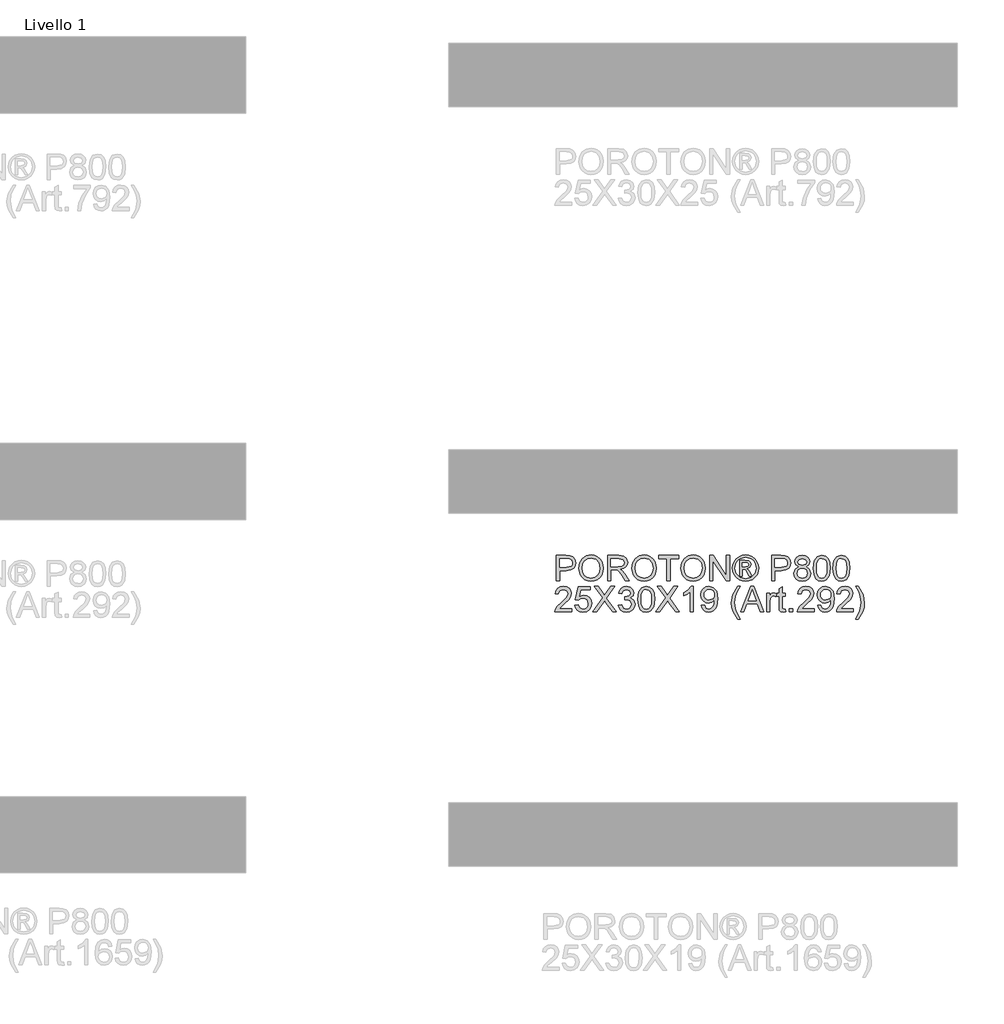
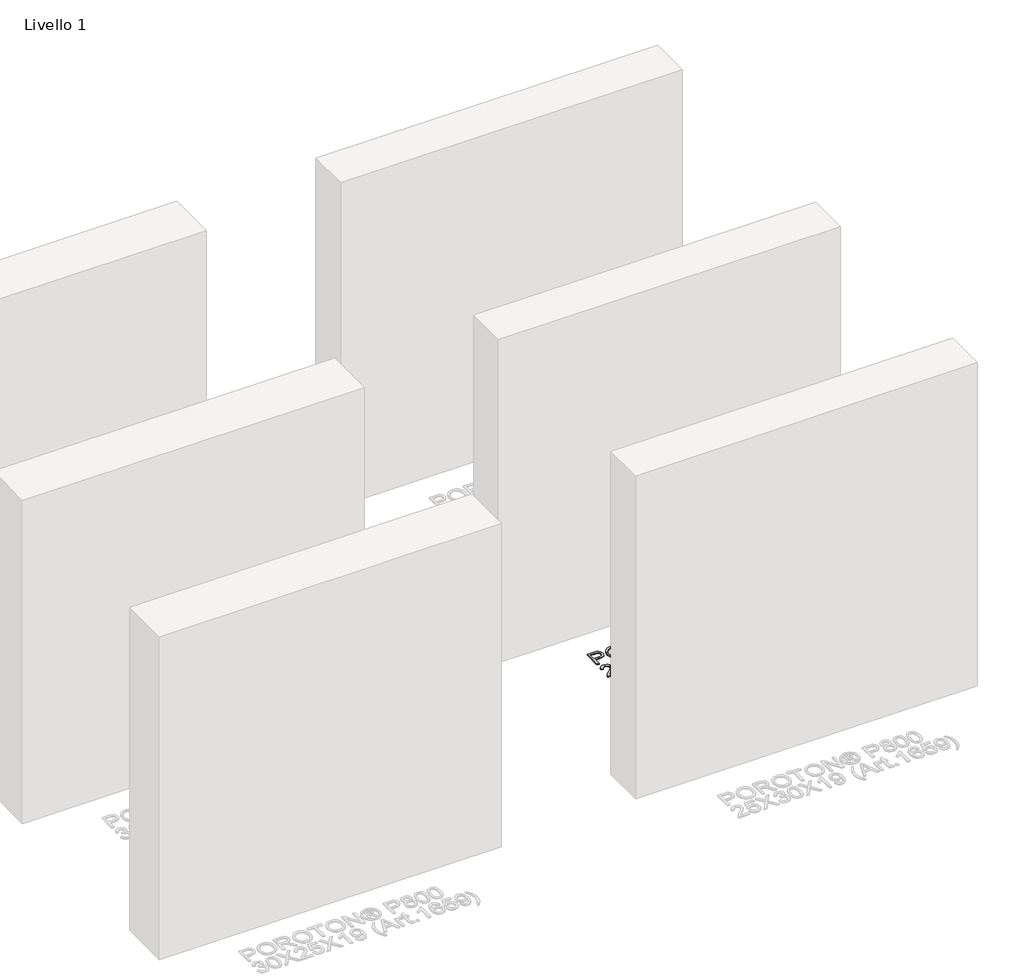
# One storey, part 7 of 8: 1 proxy.
"""IFC4 building model written with IfcOpenShell, lengths in millimetres."""

from ifc_helpers import new_model, si_unit, origin, origin_with_axes, place, context, project, spatial, polyline, outline, extrude, element, save

model = new_model("IFC4")

# Units and contexts
model_context = context("Model", 3, world=origin())
ifc_project = project(units=[si_unit("LENGTHUNIT", "METRE", prefix="MILLI")], contexts=[model_context])

# Site, building, storey
site = spatial("IfcSite", under=ifc_project)
building = spatial("IfcBuilding", under=site)
storey = spatial("IfcBuildingStorey", under=building, Name="Livello 1", Elevation=0.0)

# Proxy
placement = place(None, origin())
element("IfcBuildingElementProxy", 1, Name="100", ObjectType="100", at=placement, inside=storey, context=model_context, shape_type="SweptSolid", body=[
    extrude(outline(polyline([(1080.1467848, 2286.8671601), (1080.1467848, 2387.3234702), (1117.3764427, 2387.3234702), (1132.3860281, 2386.3669771), (1144.5874477, 2381.6703502), (1152.4969105, 2371.9582656), (1155.4890174, 2358.2607926), (1153.4687322, 2346.4211237), (1147.4078763, 2336.5557549), (1136.0740451, 2329.8970908), (1118.2348341, 2327.6775361), (1092.7038236, 2327.6775361), (1092.7038236, 2286.8671601), (1080.1467848, 2286.8671601)]), holes=[polyline([(1092.7038236, 2340.2345749), (1118.9705981, 2340.2345749), (1137.4627997, 2344.8453625), (1141.5646839, 2350.3942493), (1142.9319787, 2357.8193342), (1139.7068798, 2368.218132), (1131.2333312, 2373.9080401), (1118.6762925, 2374.7664315), (1092.7038236, 2374.7664315), (1092.7038236, 2340.2345749)])]), origin_with_axes(), (0.0, 0.0, 1.0), 5.0),
    extrude(outline(polyline([(1168.0460562, 2335.77094), (1171.3937824, 2357.9848811), (1181.4369608, 2374.7909569), (1196.7715087, 2385.3675643), (1215.9933429, 2388.8931001), (1229.1696497, 2387.2376311), (1240.9847931, 2382.2712242), (1250.7949797, 2374.3433672), (1257.9564158, 2363.803548), (1262.3342116, 2351.1606701), (1263.7934768, 2336.9236369), (1262.2575695, 2322.4965313), (1257.6498475, 2309.6758438), (1250.2247626, 2299.1176305), (1240.2367664, 2291.4779478), (1228.5227905, 2286.8426346), (1215.9197665, 2285.2975302), (1202.5411246, 2287.0051158), (1190.6585362, 2292.1278726), (1180.8728751, 2300.2028824), (1173.7850153, 2310.767227), (1168.0460562, 2335.77094)]), holes=[polyline([(1180.603095, 2335.6483127), (1183.1138896, 2319.9336201), (1190.6462734, 2307.9590611), (1201.9678418, 2300.380692), (1215.8461901, 2297.854569), (1229.9268735, 2300.4052175), (1241.266836, 2308.057163), (1248.7440375, 2320.399604), (1251.2364381, 2337.0217388), (1246.9690069, 2357.7457578), (1234.4978073, 2371.4677562), (1216.0669193, 2376.3360613), (1202.5595187, 2373.9908136), (1191.0754691, 2366.9550704), (1183.2211885, 2354.4378856), (1180.603095, 2335.6483127)])]), origin_with_axes(), (0.0, 0.0, 1.0), 5.0),
    extrude(outline(polyline([(1281.0594051, 2286.8671601), (1281.0594051, 2387.3234702), (1324.3468532, 2387.3234702), (1344.4454729, 2384.6134062), (1355.4328818, 2375.0239489), (1359.5408974, 2359.8304225), (1357.8394432, 2349.9343968), (1352.7350805, 2341.7306283), (1344.0745252, 2335.7157577), (1331.7044931, 2332.3864256), (1338.8414038, 2327.0153485), (1349.0194724, 2314.0904277), (1365.7703659, 2286.8671601), (1351.1777134, 2286.8671601), (1338.1056398, 2307.689281), (1328.6633353, 2321.4725931), (1322.0291967, 2327.9841044), (1316.0572456, 2330.3753374), (1308.7731821, 2330.8167958), (1293.6164439, 2330.8167958), (1293.6164439, 2286.8671601), (1281.0594051, 2286.8671601)]), holes=[polyline([(1293.6164439, 2343.3738345), (1321.7226283, 2343.3738345), (1336.0577634, 2345.1519309), (1344.2002182, 2350.8418391), (1346.9838587, 2359.3644386), (1341.6740952, 2370.4254239), (1324.8864135, 2374.7664315), (1293.6164439, 2374.7664315), (1293.6164439, 2343.3738345)])]), origin_with_axes(), (0.0, 0.0, 1.0), 5.0),
    extrude(outline(polyline([(1376.8068257, 2335.77094), (1380.1545519, 2357.9848811), (1390.1977304, 2374.7909569), (1405.5322782, 2385.3675643), (1424.7541124, 2388.8931001), (1437.9304192, 2387.2376311), (1449.7455627, 2382.2712242), (1459.5557492, 2374.3433672), (1466.7171854, 2363.803548), (1471.0949811, 2351.1606701), (1472.5542464, 2336.9236369), (1471.018339, 2322.4965313), (1466.410617, 2309.6758438), (1458.9855321, 2299.1176305), (1448.9975359, 2291.4779478), (1437.2835601, 2286.8426346), (1424.680536, 2285.2975302), (1411.3018942, 2287.0051158), (1399.4193057, 2292.1278726), (1389.6336446, 2300.2028824), (1382.5457849, 2310.767227), (1376.8068257, 2335.77094)]), holes=[polyline([(1389.3638645, 2335.6483127), (1391.8746591, 2319.9336201), (1399.407043, 2307.9590611), (1410.7286114, 2300.380692), (1424.6069596, 2297.854569), (1438.687643, 2300.4052175), (1450.0276055, 2308.057163), (1457.5048071, 2320.399604), (1459.9972076, 2337.0217388), (1455.7297764, 2357.7457578), (1443.2585768, 2371.4677562), (1424.8276888, 2376.3360613), (1411.3202883, 2373.9908136), (1399.8362386, 2366.9550704), (1391.981958, 2354.4378856), (1389.3638645, 2335.6483127)])]), origin_with_axes(), (0.0, 0.0, 1.0), 5.0),
    extrude(outline(polyline([(1514.9342522, 2286.8671601), (1514.9342522, 2374.7664315), (1481.9720254, 2374.7664315), (1481.9720254, 2387.3234702), (1560.4535177, 2387.3234702), (1560.4535177, 2374.7664315), (1527.491291, 2374.7664315), (1527.491291, 2286.8671601), (1514.9342522, 2286.8671601)])), origin_with_axes(), (0.0, 0.0, 1.0), 5.0),
    extrude(outline(polyline([(1569.8712968, 2335.77094), (1573.219023, 2357.9848811), (1583.2622014, 2374.7909569), (1598.5967493, 2385.3675643), (1617.8185835, 2388.8931001), (1630.9948903, 2387.2376311), (1642.8100337, 2382.2712242), (1652.6202203, 2374.3433672), (1659.7816564, 2363.803548), (1664.1594522, 2351.1606701), (1665.6187174, 2336.9236369), (1664.0828101, 2322.4965313), (1659.4750881, 2309.6758438), (1652.0500032, 2299.1176305), (1642.062007, 2291.4779478), (1630.3480311, 2286.8426346), (1617.7450071, 2285.2975302), (1604.3663652, 2287.0051158), (1592.4837768, 2292.1278726), (1582.6981157, 2300.2028824), (1575.6102559, 2310.767227), (1569.8712968, 2335.77094)]), holes=[polyline([(1582.4283356, 2335.6483127), (1584.9391302, 2319.9336201), (1592.471514, 2307.9590611), (1603.7930824, 2300.380692), (1617.6714307, 2297.854569), (1631.7521141, 2300.4052175), (1643.0920766, 2308.057163), (1650.5692781, 2320.399604), (1653.0616787, 2337.0217388), (1648.7942475, 2357.7457578), (1636.3230479, 2371.4677562), (1617.8921599, 2376.3360613), (1604.3847593, 2373.9908136), (1592.9007097, 2366.9550704), (1585.0464291, 2354.4378856), (1582.4283356, 2335.6483127)])]), origin_with_axes(), (0.0, 0.0, 1.0), 5.0),
    extrude(outline(polyline([(1682.8846457, 2286.8671601), (1682.8846457, 2387.3234702), (1696.3246013, 2387.3234702), (1748.8090993, 2307.7383319), (1748.8090993, 2387.3234702), (1761.366138, 2387.3234702), (1761.366138, 2286.8671601), (1747.9261825, 2286.8671601), (1695.4416845, 2366.4768238), (1695.4416845, 2286.8671601), (1682.8846457, 2286.8671601)])), origin_with_axes(), (0.0, 0.0, 1.0), 5.0),
    extrude(outline(polyline([(1824.1758573, 2388.8931001), (1837.0701213, 2387.219237), (1849.6578169, 2382.1976478), (1860.7157365, 2374.0613243), (1869.0206726, 2363.0432586), (1874.2170057, 2350.3206729), (1875.9491168, 2337.0707897), (1874.2415312, 2323.9374025), (1869.1187744, 2311.31905), (1860.9150059, 2300.3408382), (1849.9643852, 2292.1278726), (1837.3552298, 2287.0051158), (1824.1758573, 2285.2975302), (1811.014879, 2287.0051158), (1798.4118549, 2292.1278726), (1787.4520372, 2300.3408382), (1779.2206775, 2311.31905), (1774.0703296, 2323.9374025), (1772.353547, 2337.0707897), (1774.0948551, 2350.3206729), (1779.3187794, 2363.0432586), (1787.6513066, 2374.0613243), (1798.7184233, 2382.1976478), (1811.2999875, 2387.219237), (1824.1758573, 2388.8931001)]), holes=[polyline([(1824.1758573, 2379.475321), (1803.3537364, 2373.9938793), (1794.3252991, 2367.3321495), (1787.4980224, 2358.3098436), (1781.771326, 2337.0707897), (1787.3876578, 2316.0156768), (1803.1084818, 2300.3316411), (1824.1758573, 2294.7153093), (1845.2554957, 2300.3316411), (1860.9395314, 2316.0156768), (1866.5313377, 2337.0707897), (1860.8414295, 2358.3098436), (1854.0325469, 2367.3321495), (1844.9857155, 2373.9938793), (1824.1758573, 2379.475321)])]), origin_with_axes(), (0.0, 0.0, 1.0), 5.0),
    extrude(outline(polyline([(1800.6068842, 2305.7027182), (1800.6068842, 2368.4879121), (1820.8894449, 2368.4879121), (1835.9480812, 2366.7588667), (1843.3670348, 2360.725602), (1846.1261497, 2351.5653403), (1841.3682092, 2339.6459637), (1828.7621195, 2333.9560555), (1833.6672128, 2330.620592), (1842.2266006, 2318.0880787), (1849.2654094, 2305.7027182), (1838.670408, 2305.7027182), (1833.152178, 2315.6600576), (1823.9060772, 2330.0810318), (1815.8862497, 2332.3864256), (1810.0246633, 2332.3864256), (1810.0246633, 2305.7027182), (1800.6068842, 2305.7027182)]), holes=[polyline([(1810.0246633, 2341.8042047), (1821.9440399, 2341.8042047), (1833.5936364, 2344.1954377), (1836.7083706, 2350.5352707), (1835.2123172, 2355.0970075), (1831.0552507, 2358.0891144), (1821.1837504, 2359.070133), (1810.0246633, 2359.070133), (1810.0246633, 2341.8042047)])]), origin_with_axes(), (0.0, 0.0, 1.0), 5.0),
    extrude(outline(polyline([(1926.1772719, 2286.8671601), (1926.1772719, 2387.3234702), (1963.4069298, 2387.3234702), (1978.4165152, 2386.3669771), (1990.6179347, 2381.6703502), (1998.5273976, 2371.9582656), (2001.5195045, 2358.2607926), (1999.4992192, 2346.4211237), (1993.4383633, 2336.5557549), (1982.1045322, 2329.8970908), (1964.2653211, 2327.6775361), (1938.7343106, 2327.6775361), (1938.7343106, 2286.8671601), (1926.1772719, 2286.8671601)]), holes=[polyline([(1938.7343106, 2340.2345749), (1965.0010851, 2340.2345749), (1983.4932867, 2344.8453625), (1987.595171, 2350.3942493), (1988.9624657, 2357.8193342), (1985.7373669, 2368.218132), (1977.2638183, 2373.9080401), (1964.7067795, 2374.7664315), (1938.7343106, 2374.7664315), (1938.7343106, 2340.2345749)])]), origin_with_axes(), (0.0, 0.0, 1.0), 5.0),
    extrude(outline(polyline([(2032.3725411, 2342.1966122), (2020.9314111, 2349.9957105), (2017.2158029, 2362.1358163), (2019.2391539, 2371.9521342), (2025.3092068, 2380.0639322), (2034.74538, 2385.5085857), (2046.8670918, 2387.3234702), (2059.0623799, 2385.4656662), (2068.6211804, 2379.8922539), (2074.8015979, 2371.6516972), (2076.8617371, 2361.7924598), (2073.1951799, 2349.9589223), (2062.0728809, 2342.1966122), (2075.4269973, 2332.3496374), (2080.0009968, 2316.101516), (2077.7323912, 2304.0963002), (2070.9265742, 2294.1757491), (2060.4174119, 2287.5170849), (2047.03877, 2285.2975302), (2033.6601281, 2287.526282), (2023.1509658, 2294.2125373), (2016.3451489, 2304.2281246), (2014.0765433, 2316.4448725), (2018.8344837, 2333.0731387), (2032.3725411, 2342.1966122)]), holes=[polyline([(2029.7728417, 2361.7679343), (2034.2242139, 2351.9086968), (2047.1859228, 2348.0827241), (2059.8901144, 2351.8841714), (2064.3046983, 2361.2038486), (2059.7429616, 2370.8546196), (2047.03877, 2374.7664315), (2034.2977903, 2370.9404587), (2029.7728417, 2361.7679343)]), polyline([(2026.633582, 2316.8863309), (2028.7305094, 2307.4317636), (2036.149463, 2300.3561666), (2047.1368719, 2297.854569), (2055.6839969, 2299.1697471), (2062.0974064, 2303.1152815), (2067.443958, 2316.4939234), (2061.9257281, 2330.1300827), (2055.3651658, 2334.1767847), (2046.719939, 2335.5256853), (2038.2923756, 2334.1951788), (2031.9433455, 2330.2036591), (2026.633582, 2316.8863309)])]), origin_with_axes(), (0.0, 0.0, 1.0), 5.0),
    extrude(outline(polyline([(2090.9884057, 2336.2859748), (2094.6794884, 2365.1892369), (2105.6423719, 2381.8542912), (2123.9506325, 2387.3234702), (2138.6168614, 2384.0861087), (2148.745879, 2374.7541687), (2154.6319909, 2359.8917361), (2156.9128592, 2336.2859748), (2153.2585648, 2307.50534), (2142.3324695, 2290.8034974), (2134.1011099, 2286.674022), (2123.9506325, 2285.2975302), (2110.9030844, 2287.6887632), (2100.994796, 2294.8624621), (2093.4900033, 2311.8524789), (2090.9884057, 2336.2859748)]), holes=[polyline([(2103.5454445, 2336.3105002), (2105.0169725, 2316.5583028), (2109.4315564, 2305.1263698), (2116.0043814, 2299.6725192), (2123.9506325, 2297.854569), (2131.8968836, 2299.6786506), (2138.4697086, 2305.1508953), (2142.8842925, 2316.5889596), (2144.3558205, 2336.3105002), (2142.9333434, 2355.6181736), (2138.6659123, 2367.1390114), (2132.10535, 2372.8595765), (2123.8034797, 2374.7664315), (2115.9430677, 2373.086437), (2109.6277601, 2368.0464537), (2105.0660234, 2355.808246), (2103.5454445, 2336.3105002)])]), origin_with_axes(), (0.0, 0.0, 1.0), 5.0),
    extrude(outline(polyline([(2167.9002682, 2336.2859748), (2171.5913509, 2365.1892369), (2182.5542343, 2381.8542912), (2200.8624949, 2387.3234702), (2215.5287238, 2384.0861087), (2225.6577414, 2374.7541687), (2231.5438533, 2359.8917361), (2233.8247217, 2336.2859748), (2230.1704272, 2307.50534), (2219.244332, 2290.8034974), (2211.0129723, 2286.674022), (2200.8624949, 2285.2975302), (2187.8149468, 2287.6887632), (2177.9066584, 2294.8624621), (2170.4018657, 2311.8524789), (2167.9002682, 2336.2859748)]), holes=[polyline([(2180.4573069, 2336.3105002), (2181.9288349, 2316.5583028), (2186.3434189, 2305.1263698), (2192.9162438, 2299.6725192), (2200.8624949, 2297.854569), (2208.808746, 2299.6786506), (2215.381571, 2305.1508953), (2219.796155, 2316.5889596), (2221.2676829, 2336.3105002), (2219.8452059, 2355.6181736), (2215.5777747, 2367.1390114), (2209.0172125, 2372.8595765), (2200.7153421, 2374.7664315), (2192.8549302, 2373.086437), (2186.5396226, 2368.0464537), (2181.9778858, 2355.808246), (2180.4573069, 2336.3105002)])]), origin_with_axes(), (0.0, 0.0, 1.0), 5.0),
    extrude(outline(polyline([(1139.792719, 2177.449381), (1139.792719, 2164.8923422), (1073.8682654, 2164.8923422), (1075.2171661, 2173.5498319), (1082.8445861, 2186.8794228), (1098.5654101, 2201.4352871), (1120.2459223, 2222.3555099), (1125.6660504, 2236.5802804), (1120.5524906, 2248.0949868), (1107.1983742, 2252.7916136), (1093.2801721, 2248.2053514), (1087.9949341, 2235.5256853), (1075.4378953, 2237.0953152), (1078.4821188, 2249.2415524), (1085.0641408, 2258.1136398), (1094.8406049, 2263.5398993), (1107.4681543, 2265.3486524), (1120.1876743, 2263.3375642), (1129.9457442, 2257.3042994), (1136.1537529, 2248.2911906), (1138.2230891, 2237.3405698), (1135.9912717, 2225.4334559), (1128.5723181, 2213.1216718), (1110.5828886, 2195.9170572), (1096.1373889, 2183.838265), (1090.4720062, 2177.449381), (1139.792719, 2177.449381)])), origin_with_axes(), (0.0, 0.0, 1.0), 5.0),
    extrude(outline(polyline([(1152.3497577, 2191.5760496), (1164.9067965, 2193.1456795), (1171.2343668, 2180.208496), (1184.3554913, 2175.8797512), (1193.3563375, 2177.3850017), (1200.1008407, 2181.9007532), (1204.3130896, 2188.9058395), (1205.7171725, 2197.8790945), (1200.45646, 2212.790578), (1193.8499125, 2216.8924623), (1184.5516951, 2218.259757), (1173.5274979, 2216.0769905), (1166.4764264, 2210.4116078), (1153.9193876, 2211.9812376), (1164.9067965, 2263.7790225), (1213.5653217, 2263.7790225), (1213.5653217, 2251.2219838), (1175.0603396, 2251.2219838), (1169.6892625, 2223.5572577), (1178.6594518, 2229.0019113), (1188.0588367, 2230.8167958), (1199.7912067, 2228.5665842), (1209.5308825, 2221.8159496), (1216.0883791, 2211.5275165), (1218.2742113, 2198.6639094), (1216.3060426, 2186.1068706), (1210.4015366, 2175.3647164), (1199.0952966, 2166.3332134), (1184.3064404, 2163.3227124), (1171.9731965, 2165.2571586), (1162.1476816, 2171.060497), (1155.4123754, 2180.0582775), (1152.3497577, 2191.5760496)])), origin_with_axes(), (0.0, 0.0, 1.0), 5.0),
    extrude(outline(polyline([(1222.9831008, 2164.8923422), (1261.7088122, 2219.6331831), (1229.2616202, 2265.3486524), (1244.3202565, 2265.3486524), (1262.591729, 2239.6214382), (1268.747621, 2229.5905225), (1275.9581081, 2239.7931165), (1294.0333768, 2265.3486524), (1309.3127424, 2265.3486524), (1276.8655504, 2219.4860303), (1315.5912617, 2164.8923422), (1300.5326254, 2164.8923422), (1274.7318348, 2201.2881343), (1269.3607577, 2208.8419779), (1263.4501203, 2200.5523703), (1238.2624664, 2164.8923422), (1222.9831008, 2164.8923422)])), origin_with_axes(), (0.0, 0.0, 1.0), 5.0),
    extrude(outline(polyline([(1323.439411, 2191.5760496), (1335.9964497, 2193.1456795), (1342.924894, 2179.9264531), (1355.8866029, 2175.8797512), (1364.4950416, 2177.2715714), (1371.141443, 2181.447032), (1376.8068257, 2195.2303441), (1371.1904939, 2208.2165785), (1356.9166725, 2213.3546637), (1348.1120301, 2211.9812376), (1349.5099817, 2224.5382764), (1351.5210699, 2224.3911236), (1365.7703659, 2227.9963672), (1370.5160436, 2232.5703666), (1372.0979362, 2239.0818779), (1367.511674, 2248.9043272), (1355.6903992, 2252.7916136), (1343.7219716, 2248.867539), (1337.5660796, 2237.0953152), (1325.0090408, 2238.664945), (1328.7062549, 2249.9405282), (1335.2852112, 2258.3588945), (1344.2860574, 2263.6012129), (1355.2489408, 2265.3486524), (1370.3934163, 2261.9028244), (1380.9884178, 2252.4850453), (1384.654975, 2239.8176419), (1381.1723587, 2228.2416218), (1370.8716629, 2219.9274887), (1384.5568731, 2211.3435755), (1389.3638645, 2195.0096149), (1386.9603688, 2182.7714072), (1379.7498817, 2172.5442877), (1368.866706, 2165.6281062), (1355.4451446, 2163.3227124), (1343.3050387, 2165.2908811), (1333.4212758, 2171.1953871), (1326.5480138, 2180.2268901), (1323.439411, 2191.5760496)])), origin_with_axes(), (0.0, 0.0, 1.0), 5.0),
    extrude(outline(polyline([(1400.3512734, 2214.3111569), (1404.0423561, 2243.214419), (1415.0052396, 2259.8794734), (1433.3135002, 2265.3486524), (1447.9797291, 2262.1112908), (1458.1087467, 2252.7793509), (1463.9948586, 2237.9169183), (1466.275727, 2214.3111569), (1462.6214325, 2185.5305222), (1451.6953372, 2168.8286796), (1443.4639776, 2164.6992042), (1433.3135002, 2163.3227124), (1420.2659521, 2165.7139454), (1410.3576637, 2172.8876443), (1402.852871, 2189.8776611), (1400.3512734, 2214.3111569)]), holes=[polyline([(1412.9083122, 2214.3356824), (1414.3798402, 2194.5834849), (1418.7944241, 2183.1515519), (1425.3672491, 2177.6977014), (1433.3135002, 2175.8797512), (1441.2597513, 2177.7038327), (1447.8325763, 2183.1760774), (1452.2471602, 2194.6141418), (1453.7186882, 2214.3356824), (1452.2962111, 2233.6433558), (1448.02878, 2245.1641936), (1441.4682178, 2250.8847586), (1433.1663474, 2252.7916136), (1425.3059354, 2251.1116192), (1418.9906279, 2246.0716358), (1414.4288911, 2233.8334281), (1412.9083122, 2214.3356824)])]), origin_with_axes(), (0.0, 0.0, 1.0), 5.0),
    extrude(outline(polyline([(1470.9846165, 2164.8923422), (1509.7103279, 2219.6331831), (1477.2631359, 2265.3486524), (1492.3217722, 2265.3486524), (1510.5932447, 2239.6214382), (1516.7491367, 2229.5905225), (1523.9596238, 2239.7931165), (1542.0348925, 2265.3486524), (1557.314258, 2265.3486524), (1524.8670661, 2219.4860303), (1563.5927774, 2164.8923422), (1548.5341411, 2164.8923422), (1522.7333505, 2201.2881343), (1517.3622734, 2208.8419779), (1511.451636, 2200.5523703), (1486.263982, 2164.8923422), (1470.9846165, 2164.8923422)])), origin_with_axes(), (0.0, 0.0, 1.0), 5.0),
    extrude(outline(polyline([(1618.529822, 2164.8923422), (1605.9727833, 2164.8923422), (1605.9727833, 2243.1776308), (1594.0779321, 2234.7040822), (1580.8587057, 2228.3642491), (1580.8587057, 2240.2345749), (1599.2650682, 2251.9822732), (1610.4364181, 2265.3486524), (1618.529822, 2265.3486524), (1618.529822, 2164.8923422)])), origin_with_axes(), (0.0, 0.0, 1.0), 5.0),
    extrude(outline(polyline([(1649.922419, 2190.0064198), (1662.4794577, 2191.5760496), (1668.120315, 2179.5953593), (1678.8134183, 2175.8797512), (1688.9792241, 2178.2709841), (1695.8708802, 2184.6598681), (1699.9788958, 2195.5737006), (1701.7937803, 2210.1418277), (1701.7202039, 2212.5943743), (1691.6770254, 2203.0784933), (1677.9059761, 2199.4241989), (1666.455649, 2201.6560163), (1656.9244396, 2208.3514686), (1650.4957017, 2218.695084), (1648.3527891, 2231.8713908), (1650.599935, 2245.4830247), (1657.3413725, 2256.1516025), (1667.4673244, 2263.0493899), (1679.8680134, 2265.3486524), (1697.7593411, 2260.1002026), (1710.0711252, 2245.1396681), (1714.2772426, 2217.0334837), (1710.0833879, 2186.5360663), (1704.8686606, 2176.5450044), (1697.6121883, 2169.2578753), (1688.6266705, 2164.8065031), (1678.2248071, 2163.3227124), (1667.4887842, 2165.0732176), (1658.9232651, 2170.324733), (1652.93292, 2178.746165), (1649.922419, 2190.0064198)]), holes=[polyline([(1701.7202039, 2232.1656964), (1700.3651719, 2240.6760333), (1696.3000758, 2247.2243328), (1689.9908996, 2251.3997934), (1681.9036271, 2252.7916136), (1673.5159176, 2251.2924945), (1666.7959398, 2246.7951371), (1662.3813559, 2239.9126781), (1660.9098279, 2231.2582542), (1662.3016481, 2223.4990098), (1666.4771087, 2217.340052), (1673.0315396, 2213.3209412), (1681.5602705, 2211.9812376), (1696.0425584, 2217.340052), (1700.3007925, 2223.7258703), (1701.7202039, 2232.1656964)])]), origin_with_axes(), (0.0, 0.0, 1.0), 5.0),
    extrude(outline(polyline([(1792.758735, 2136.639005), (1774.9287209, 2166.0940901), (1769.4656733, 2183.2741793), (1767.6446574, 2201.0674051), (1773.0893109, 2231.6016107), (1792.758735, 2265.3486524), (1802.176514, 2265.3486524), (1790.4288157, 2245.4584992), (1783.3654813, 2226.1814826), (1780.2016962, 2200.9938287), (1785.6954006, 2168.8041541), (1802.176514, 2136.639005), (1792.758735, 2136.639005)])), origin_with_axes(), (0.0, 0.0, 1.0), 5.0),
    extrude(outline(polyline([(1804.6045352, 2164.8923422), (1844.7036727, 2265.3486524), (1855.396776, 2265.3486524), (1895.4959135, 2164.8923422), (1882.2276362, 2164.8923422), (1870.7251925, 2196.2849392), (1829.3507307, 2196.2849392), (1817.8728125, 2164.8923422), (1804.6045352, 2164.8923422)]), holes=[polyline([(1833.9615184, 2208.8419779), (1866.1389303, 2208.8419779), (1857.0890332, 2233.5391225), (1850.0502243, 2252.7916136), (1843.7962304, 2235.6973636), (1833.9615184, 2208.8419779)])]), origin_with_axes(), (0.0, 0.0, 1.0), 5.0),
    extrude(outline(polyline([(1907.3417137, 2164.8923422), (1907.3417137, 2238.664945), (1918.3291226, 2238.664945), (1918.3291226, 2227.7511125), (1926.1282209, 2237.8065537), (1933.9763702, 2240.2345749), (1946.5824599, 2236.3595512), (1942.3886051, 2225.1023621), (1933.5594372, 2227.6775361), (1926.4593147, 2225.200464), (1921.9343662, 2218.3333334), (1919.8987525, 2203.6671045), (1919.8987525, 2164.8923422), (1907.3417137, 2164.8923422)])), origin_with_axes(), (0.0, 0.0, 1.0), 5.0),
    extrude(outline(polyline([(1981.1143165, 2175.3647164), (1982.6839463, 2164.5244602), (1973.2906927, 2163.3227124), (1962.7692677, 2165.407377), (1957.5208179, 2170.876556), (1956.0002389, 2185.125852), (1956.0002389, 2226.1079062), (1946.5824599, 2226.1079062), (1946.5824599, 2238.664945), (1956.0002389, 2238.664945), (1956.0002389, 2256.5930609), (1968.5572777, 2263.9752263), (1968.5572777, 2238.664945), (1981.1143165, 2238.664945), (1981.1143165, 2226.1079062), (1968.5572777, 2226.1079062), (1968.5572777, 2185.493734), (1969.2194653, 2179.0190109), (1971.3654436, 2176.7258798), (1975.6451375, 2175.8797512), (1981.1143165, 2175.3647164)])), origin_with_axes(), (0.0, 0.0, 1.0), 5.0),
    extrude(outline(polyline([(1996.8106149, 2164.8923422), (1996.8106149, 2177.449381), (2009.3676537, 2177.449381), (2009.3676537, 2164.8923422), (1996.8106149, 2164.8923422)])), origin_with_axes(), (0.0, 0.0, 1.0), 5.0),
    extrude(outline(polyline([(2094.1276654, 2177.449381), (2094.1276654, 2164.8923422), (2028.2032119, 2164.8923422), (2029.5521125, 2173.5498319), (2037.1795325, 2186.8794228), (2052.9003565, 2201.4352871), (2074.5808687, 2222.3555099), (2080.0009968, 2236.5802804), (2074.8874371, 2248.0949868), (2061.5333206, 2252.7916136), (2047.6151185, 2248.2053514), (2042.3298805, 2235.5256853), (2029.7728417, 2237.0953152), (2032.8170652, 2249.2415524), (2039.3990873, 2258.1136398), (2049.1755513, 2263.5398993), (2061.8031008, 2265.3486524), (2074.5226207, 2263.3375642), (2084.2806907, 2257.3042994), (2090.4886993, 2248.2911906), (2092.5580356, 2237.3405698), (2090.3262181, 2225.4334559), (2082.9072645, 2213.1216718), (2064.917835, 2195.9170572), (2050.4723353, 2183.838265), (2044.8069526, 2177.449381), (2094.1276654, 2177.449381)])), origin_with_axes(), (0.0, 0.0, 1.0), 5.0),
    extrude(outline(polyline([(2108.254334, 2190.0064198), (2120.8113728, 2191.5760496), (2126.45223, 2179.5953593), (2137.1453334, 2175.8797512), (2147.3111392, 2178.2709841), (2154.2027952, 2184.6598681), (2158.3108108, 2195.5737006), (2160.1256953, 2210.1418277), (2160.0521189, 2212.5943743), (2150.0089405, 2203.0784933), (2136.2378911, 2199.4241989), (2124.787564, 2201.6560163), (2115.2563547, 2208.3514686), (2108.8276168, 2218.695084), (2106.6847042, 2231.8713908), (2108.93185, 2245.4830247), (2115.6732876, 2256.1516025), (2125.7992395, 2263.0493899), (2138.1999284, 2265.3486524), (2156.0912561, 2260.1002026), (2168.4030402, 2245.1396681), (2172.6091577, 2217.0334837), (2168.415303, 2186.5360663), (2163.2005757, 2176.5450044), (2155.9441033, 2169.2578753), (2146.9585856, 2164.8065031), (2136.5567222, 2163.3227124), (2125.8206993, 2165.0732176), (2117.2551802, 2170.324733), (2111.264835, 2178.746165), (2108.254334, 2190.0064198)]), holes=[polyline([(2160.0521189, 2232.1656964), (2158.6970869, 2240.6760333), (2154.6319909, 2247.2243328), (2148.3228147, 2251.3997934), (2140.2355421, 2252.7916136), (2131.8478326, 2251.2924945), (2125.1278549, 2246.7951371), (2120.7132709, 2239.9126781), (2119.2417429, 2231.2582542), (2120.6335632, 2223.4990098), (2124.8090238, 2217.340052), (2131.3634547, 2213.3209412), (2139.8921856, 2211.9812376), (2154.3744735, 2217.340052), (2158.6327076, 2223.7258703), (2160.0521189, 2232.1656964)])]), origin_with_axes(), (0.0, 0.0, 1.0), 5.0),
    extrude(outline(polyline([(2247.9513903, 2177.449381), (2247.9513903, 2164.8923422), (2182.0269368, 2164.8923422), (2183.3758374, 2173.5498319), (2191.0032575, 2186.8794228), (2206.7240814, 2201.4352871), (2228.4045936, 2222.3555099), (2233.8247217, 2236.5802804), (2228.711162, 2248.0949868), (2215.3570455, 2252.7916136), (2201.4388434, 2248.2053514), (2196.1536054, 2235.5256853), (2183.5965666, 2237.0953152), (2186.6407901, 2249.2415524), (2193.2228122, 2258.1136398), (2202.9992762, 2263.5398993), (2215.6268257, 2265.3486524), (2228.3463457, 2263.3375642), (2238.1044156, 2257.3042994), (2244.3124242, 2248.2911906), (2246.3817605, 2237.3405698), (2244.149943, 2225.4334559), (2236.7309895, 2213.1216718), (2218.7415599, 2195.9170572), (2204.2960602, 2183.838265), (2198.6306775, 2177.449381), (2247.9513903, 2177.449381)])), origin_with_axes(), (0.0, 0.0, 1.0), 5.0),
    extrude(outline(polyline([(2266.7869485, 2136.639005), (2257.3691694, 2136.639005), (2273.8502828, 2168.8041541), (2279.3439872, 2200.9938287), (2276.1802021, 2225.9607534), (2269.1904442, 2245.2622955), (2257.3691694, 2265.3486524), (2266.7869485, 2265.3486524), (2286.4563725, 2231.6016107), (2291.901026, 2201.0674051), (2290.0708131, 2183.2741793), (2284.5801743, 2166.0940901), (2266.7869485, 2136.639005)])), origin_with_axes(), (0.0, 0.0, 1.0), 5.0),
])

save(model, "model.ifc")
